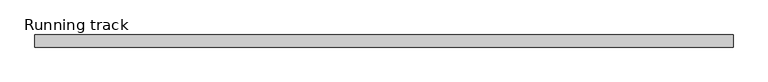
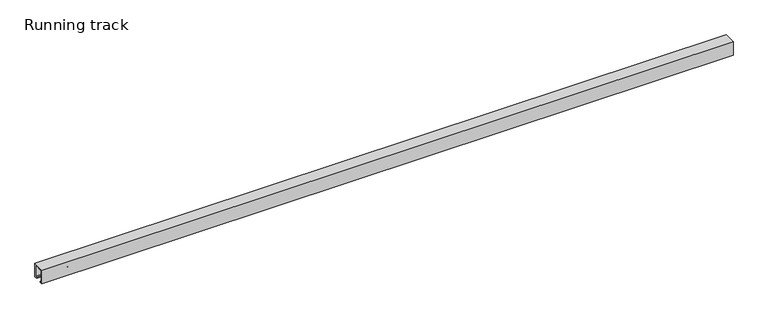
"""IFC4 building model written with IfcOpenShell, lengths in millimetres: proxy geometry, Running track."""

from ifc_helpers import new_model, si_unit, point, frame, frame_2d, origin, origin_with_axes, place, context, project, spatial, polyline, circle_curve, trimmed, segment, composite_curve, outline, extrude, faceted_brep, source, transform, mapped, element, save


def running_track_9b7a54f1(model_context):
    return source(origin(), model_context, "Body", "SolidModel", [
        extrude(outline(composite_curve([segment(trimmed(circle_curve(frame_2d((0.0, 18.67839)), 6.3335878), [point((6.3335878, 18.67839))], [point((-6.3335878, 18.67839))], False, "CARTESIAN"), True, "CONTINUOUS"), segment(trimmed(circle_curve(frame_2d((0.0, 18.67839)), 6.3335878), [point((-6.3335878, 18.67839))], [point((6.3335878, 18.67839))], False, "CARTESIAN"), True, "CONTINUOUS")], self_intersect=False)), frame((78.0, 0.0, 0.0), z_axis=(1.0, 0.0, 0.0), x_axis=(0.0, 1.0, 0.0)), (0.0, 0.0, 1.0), 4.0),
        faceted_brep([(35.5, 14.5, 36.5), (78.0, 14.5, 36.5), (78.0, 14.5, 3.0), (35.5, 14.5, 3.0), (35.5, -14.5, 36.5), (35.5, -14.5, 3.0), (78.0, -14.5, 3.0), (78.0, -14.5, 36.5), (78.0, -12.531559, 36.5), (38.0764795, -12.531559, 36.5), (38.0764795, 12.5, 36.5), (78.0, 12.5, 36.5), (78.0, 12.5, 25.3706125), (78.0, -12.531559, 25.3706125), (38.0764795, 12.5, 25.3706125), (38.0764795, -12.531559, 25.3706125)], [[[0, 1, 2, 3]], [[4, 5, 6, 7]], [[1, 0, 4, 7, 8, 9, 10, 11]], [[2, 1, 11, 12, 13, 8, 7, 6]], [[3, 2, 6, 5]], [[0, 3, 5, 4]], [[14, 12, 11, 10]], [[15, 9, 8, 13]], [[15, 14, 10, 9]], [[14, 15, 13, 12]]]),
        extrude(outline(polyline([(35.5, 12.5), (79.9975776, 12.5), (79.9975776, -12.531559), (35.5, -12.531559), (35.5, 12.5)])), origin_with_axes(), (0.0, 0.0, 1.0), 3.0),
        extrude(outline(polyline([(36.5, 92.8890253), (32.9021554, 39.3206261), (24.3170527, 39.3206261), (33.2695661, 114.667461), (33.2695661, 116.5016212), (36.5, 116.5016212), (36.5, 92.8890253)])), frame((0.0, -12.531559, 0.0), z_axis=(0.0, 1.0, 0.0), x_axis=(0.0, 0.0, 1.0)), (0.0, 0.0, 1.0), 25.031559),
        extrude(outline(composite_curve([segment(trimmed(circle_curve(frame_2d((0.0, 18.67839)), 6.3335878), [point((6.3335878, 18.67839))], [point((-6.3335878, 18.67839))], False, "CARTESIAN"), True, "CONTINUOUS"), segment(trimmed(circle_curve(frame_2d((0.0, 18.67839)), 6.3335878), [point((-6.3335878, 18.67839))], [point((6.3335878, 18.67839))], False, "CARTESIAN"), True, "CONTINUOUS")], self_intersect=False)), frame((1868.0, 0.0, 0.0), z_axis=(1.0, 0.0, 0.0), x_axis=(0.0, 1.0, 0.0)), (0.0, 0.0, 1.0), 4.0),
        faceted_brep([(1914.5, 14.5, 36.5), (1914.5, 14.5, 3.0), (1872.0, 14.5, 3.0), (1872.0, 14.5, 36.5), (1914.5, -14.5, 36.5), (1872.0, -14.5, 36.5), (1872.0, -14.5, 3.0), (1914.5, -14.5, 3.0), (1872.0, 12.5, 36.5), (1911.9235205, 12.5, 36.5), (1911.9235205, -12.531559, 36.5), (1872.0, -12.531559, 36.5), (1872.0, -12.531559, 25.3706125), (1872.0, 12.5, 25.3706125), (1911.9235205, 12.5, 25.3706125), (1911.9235205, -12.531559, 25.3706125)], [[[0, 1, 2, 3]], [[4, 5, 6, 7]], [[3, 8, 9, 10, 11, 5, 4, 0]], [[2, 6, 5, 11, 12, 13, 8, 3]], [[1, 7, 6, 2]], [[0, 4, 7, 1]], [[14, 9, 8, 13]], [[15, 12, 11, 10]], [[15, 10, 9, 14]], [[14, 13, 12, 15]]]),
        extrude(outline(polyline([(1914.5, 12.5), (1914.5, -12.531559), (1870.0024224, -12.531559), (1870.0024224, 12.5), (1914.5, 12.5)])), origin_with_axes(), (0.0, 0.0, 1.0), 3.0),
        extrude(outline(polyline([(36.5, 1857.1109747), (36.5, 1833.4983788), (33.2695661, 1833.4983788), (33.2695661, 1835.332539), (24.3170527, 1910.6793739), (32.9021554, 1910.6793739), (36.5, 1857.1109747)])), frame((0.0, -12.531559, 0.0), z_axis=(0.0, 1.0, 0.0), x_axis=(0.0, 0.0, 1.0)), (0.0, 0.0, 1.0), 25.031559),
        extrude(outline(polyline([(-17.0, 40.0), (17.0, 40.0), (17.0, 0.0), (9.0, 0.0), (9.0, 3.0), (14.0, 3.0), (14.0, 37.0), (-14.0, 37.0), (-14.0, 3.0), (-9.0, 3.0), (-9.0, 0.0), (-17.0, 0.0), (-17.0, 40.0)])), frame((0.0, 0.0, 0.0), z_axis=(1.0, 0.0, 0.0), x_axis=(0.0, 1.0, 0.0)), (0.0, 0.0, 1.0), 1950.0),
    ])


if __name__ == "__main__":
    model = new_model("IFC4")
    model_context = context("Model", 3, world=origin())
    ifc_project = project(units=[si_unit("LENGTHUNIT", "METRE", prefix="MILLI")], contexts=[model_context])
    site = spatial("IfcSite", under=ifc_project)
    building = spatial("IfcBuilding", under=site)
    placement = place(None, origin())
    running_track_shape = running_track_9b7a54f1(model_context)
    element("IfcBuildingElementProxy", 1, Name="Running track", ObjectType="Running track", at=placement, inside=building, context=model_context, shape_type="MappedRepresentation", body=[
        mapped(running_track_shape, transform((0.0, 0.0, 0.0), x_axis=(1.0, 0.0, 0.0), y_axis=(0.0, 1.0, 0.0), z_axis=(0.0, 0.0, 1.0))),
    ])
    save(model, "model.ifc")
